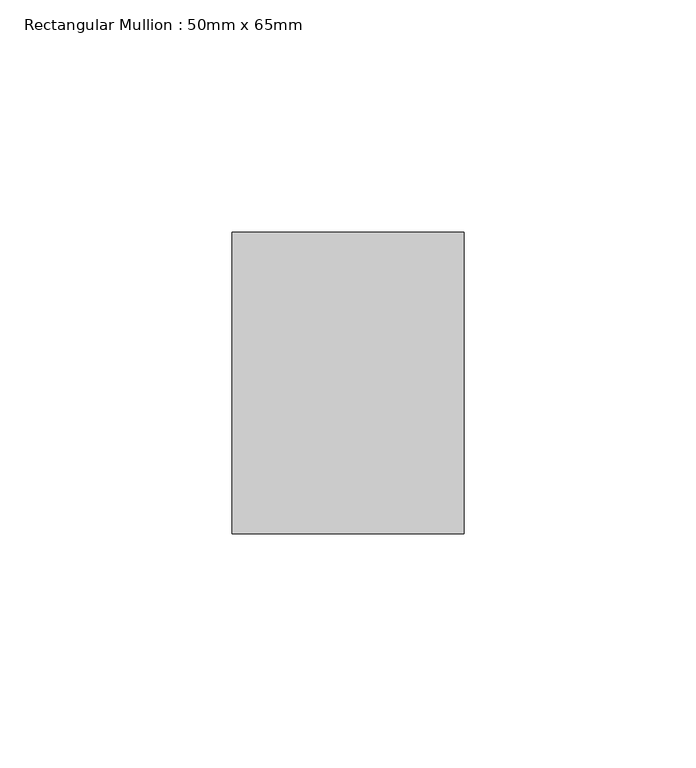
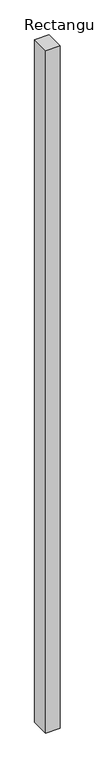
"""IFC4 building model written with IfcOpenShell, lengths in millimetres: member geometry, Rectangular Mullion : 50mm x 65mm."""

from ifc_helpers import new_model, si_unit, frame, origin, place, context, project, spatial, polyline, outline, extrude, source, transform, mapped, element, save


def rectangular_mullion_50mm_x_65mm_f94381ab(model_context):
    return source(origin(), model_context, "Body", "SweptSolid", [
        extrude(outline(polyline([(25.0, 32.5), (25.0, -32.5), (-25.0, -32.5), (-25.0, 32.5), (25.0, 32.5)])), frame((0.0, 0.0, -2478.0257881), z_axis=(0.0, 0.0, 1.0), x_axis=(1.0, 0.0, 0.0)), (0.0, 0.0, 1.0), 2478.0257881),
    ])


if __name__ == "__main__":
    model = new_model("IFC4")
    model_context = context("Model", 3, world=origin())
    ifc_project = project(units=[si_unit("LENGTHUNIT", "METRE", prefix="MILLI")], contexts=[model_context])
    site = spatial("IfcSite", under=ifc_project)
    building = spatial("IfcBuilding", under=site)
    placement = place(None, origin())
    rectangular_mullion_50mm_x_65mm_shape = rectangular_mullion_50mm_x_65mm_f94381ab(model_context)
    element("IfcMember", 1, ObjectType="Rectangular Mullion : 50mm x 65mm", at=placement, inside=building, context=model_context, shape_type="MappedRepresentation", body=[
        mapped(rectangular_mullion_50mm_x_65mm_shape, transform((0.0, 0.0, 0.0), x_axis=(1.0, 0.0, 0.0), y_axis=(0.0, 1.0, 0.0), z_axis=(0.0, 0.0, 1.0))),
    ])
    save(model, "model.ifc")
